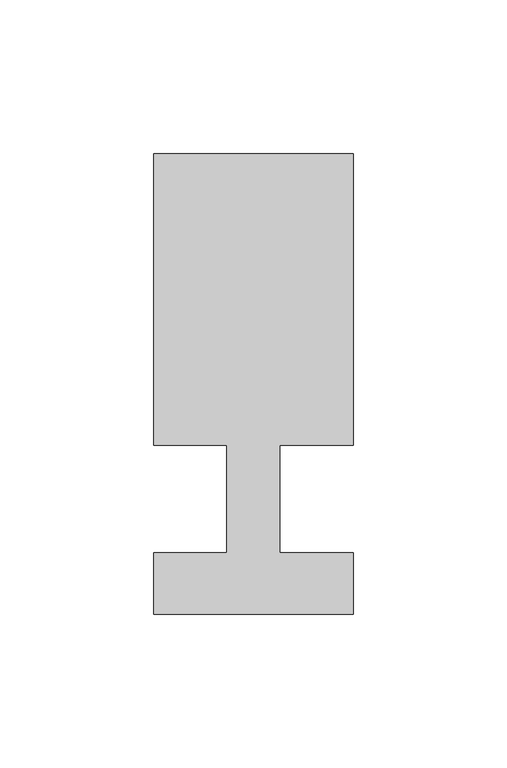
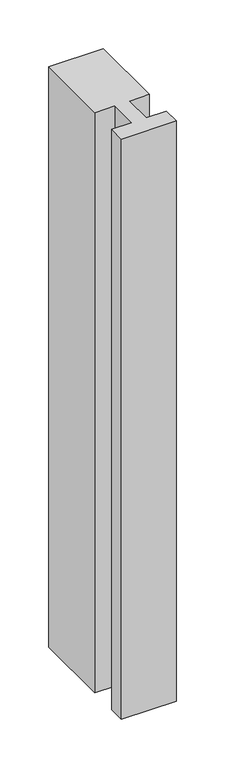
"""IFC4 building model written with IfcOpenShell, lengths in millimetres: member geometry."""

from ifc_helpers import new_model, si_unit, frame, origin, place, context, project, spatial, polyline, outline, extrude, source, transform, mapped, element, save


def member_27b6b353(model_context):
    return source(origin(), model_context, "Body", "SweptSolid", [
        extrude(outline(polyline([(-65.0, -37.0), (-65.0, -17.0), (-41.1875, -17.0), (-41.1875, 18.0), (-65.0, 18.0), (-65.0, 113.0), (0.0, 113.0), (0.0, 18.0), (-23.8125, 18.0), (-23.8125, -17.0), (0.0, -17.0), (0.0, -37.0), (-65.0, -37.0)])), frame((0.0, 0.0, -729.1666667), z_axis=(0.0, 0.0, 1.0), x_axis=(1.0, 0.0, 0.0)), (0.0, 0.0, 1.0), 729.1666667),
    ])


if __name__ == "__main__":
    model = new_model("IFC4")
    model_context = context("Model", 3, world=origin())
    ifc_project = project(units=[si_unit("LENGTHUNIT", "METRE", prefix="MILLI")], contexts=[model_context])
    site = spatial("IfcSite", under=ifc_project)
    building = spatial("IfcBuilding", under=site)
    placement = place(None, origin())
    member_shape = member_27b6b353(model_context)
    element("IfcMember", 1, at=placement, inside=building, context=model_context, shape_type="MappedRepresentation", body=[
        mapped(member_shape, transform((0.0, 0.0, 0.0), x_axis=(1.0, 0.0, 0.0), y_axis=(0.0, 1.0, 0.0), z_axis=(0.0, 0.0, 1.0))),
    ])
    save(model, "model.ifc")
